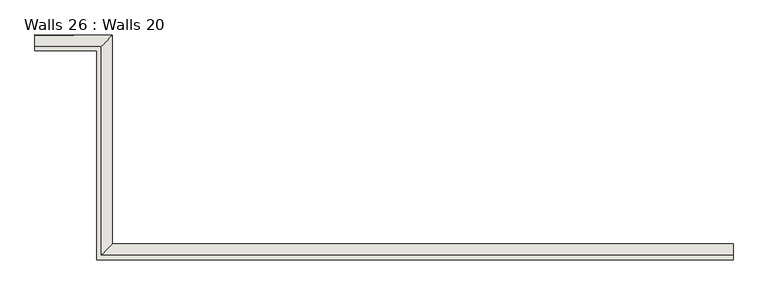
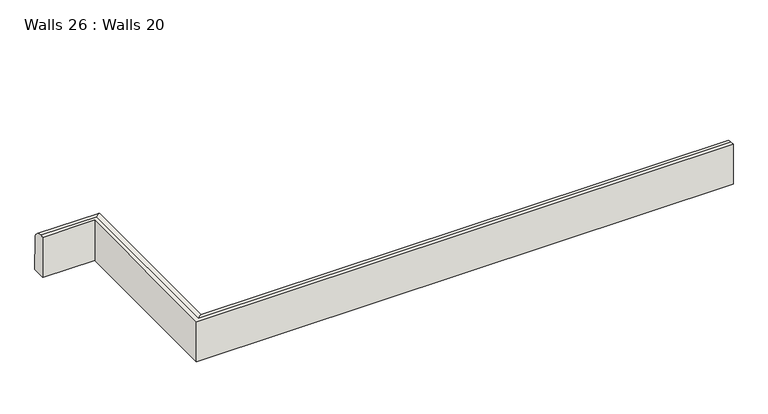
"""IFC4 building model written with IfcOpenShell, lengths in millimetres: wall geometry, Walls 26 : Walls 20."""

from ifc_helpers import new_model, si_unit, frame, origin, place, context, project, spatial, circle_curve, ellipse_curve, source, transform, mapped, element, save
from ifc_brep_helpers import plane_surface, cylinder_surface, advanced_brep


def walls_26_walls_20_2b4384ab(model_context):
    return source(origin(), model_context, "Body", "AdvancedBrep", [
        advanced_brep(
        [(-47673.9344016, 48693.4543832, 110873.348254), (-47673.8373612, 48710.6155985, 110856.2901743), (-47673.8380831, 48710.7930345, 110797.5768122), (-47673.9733942, 48686.9875029, 110797.5048718), (-47673.9724619, 48686.7583599, 110873.3280186), (-46620.9779403, 48377.7198228, 110872.381135), (-46620.9780464, 48371.0236913, 110872.3608988), (-46620.9789787, 48371.2528343, 110796.537752), (-46620.9786013, 48395.0587504, 110796.6096952), (-46620.9778794, 48394.8813144, 110855.3230573), (-47574.3327873, 48692.8882548, 110873.3453184), (-47557.2231747, 48709.9527718, 110856.2867374), (-47557.2238966, 48710.1302078, 110797.5733753), (-47557.2231597, 48395.073559, 110796.6212514), (-47581.0291289, 48371.2680194, 110796.549602), (-47581.0298661, 48686.4592185, 110797.5021325), (-47581.0289338, 48686.2300755, 110873.3252793), (-47581.0281967, 48371.0388764, 110872.3727488), (-47574.3320502, 48377.734902, 110872.3929023), (-47557.2224378, 48394.896123, 110855.3346135)],
        [
            (0, 1, circle_curve(frame((-47673.9346119, 48693.5060902, 110856.2384693), z_axis=(-0.9999838464358002, 0.005683836632040414, 2.947206472527781e-05), x_axis=(0.005683899743072926, 0.9999792803680961, 0.0030219394790984453)), 17.1098628)),
            (1, 2),
            (2, 3),
            (3, 4),
            (4, 0),
            (5, 6),
            (6, 7),
            (7, 8),
            (8, 9),
            (9, 5, circle_curve(frame((-46620.9781506, 48377.7715298, 110855.2713503), z_axis=(0.9999999997987358, -1.581697541563069e-05, -1.2343100024490117e-05), x_axis=(1.5854204753751613e-05, 0.9999954334466623, 0.0030220579852632975)), 17.1098628)),
            (0, 10),
            (10, 11, ellipse_curve(frame((-47574.3329977, 48692.9399618, 110856.2355338), z_axis=(-0.7050951846490159, 0.7091094069262064, 0.0021516490266383008), x_axis=(-0.7091126711839222, -0.7050919912842, -0.002122119997669496)), 24.128497, 17.1098628)),
            (11, 1),
            (11, 12),
            (12, 2),
            (12, 13),
            (13, 8),
            (7, 14),
            (14, 15),
            (15, 3),
            (15, 16),
            (16, 4),
            (16, 17),
            (17, 6),
            (5, 18),
            (18, 10),
            (18, 19, ellipse_curve(frame((-47574.3322606, 48377.786609, 110855.2831177), z_axis=(-0.7071020026863571, 0.7071083043530496, 0.002145626225106906), x_axis=(0.7071115595475511, 0.7070988000833474, 0.002128209322523927)), 24.1967799, 17.1098628)),
            (19, 11),
            (19, 13),
            (14, 17),
            (9, 19),
        ],
        [
            plane_surface(frame((-47673.9342236, 48694.0729324, 110760.0960671), z_axis=(-0.9999838464358002, 0.0056838366320403335, 2.947206472527751e-05), x_axis=(1.229524376404459e-05, -0.003022058180229541, 0.9999954334961647))),
            plane_surface(frame((-46620.9793284, 48378.3383764, 110759.1289482), z_axis=(0.9999999997987358, -1.5816975416038334e-05, -1.2343100024491584e-05), x_axis=(1.2295243842208796e-05, -0.003022058180308459, 0.9999954334961645))),
            cylinder_surface(frame((-47673.9346119, 48693.5060902, 110856.2384693), z_axis=(-0.9999838464358, 0.005683836632040413, 2.9472064725277802e-05), x_axis=(0.005683899743072926, 0.9999792803680961, 0.0030219394790984453)), 17.1098628),
            plane_surface(frame((-47673.8373612, 48710.6155985, 110856.2901743), z_axis=(0.005683899743097851, 0.9999792803680961, 0.0030219394790984475), x_axis=(0.9999838464358, -0.005683836632065493, -2.9472064673969435e-05))),
            plane_surface(frame((-47673.8380831, 48710.7930345, 110797.5768122), z_axis=(-1.2295243712453288e-05, 0.003022058180265889, -0.9999954334961647), x_axis=(0.9999838464358, -0.005683836632065493, -2.9472064673969435e-05))),
            plane_surface(frame((-47673.9733942, 48686.9875029, 110797.5048718), z_axis=(-0.0056838997430558496, -0.9999792803680965, -0.0030219394790984497), x_axis=(0.9999838464358003, -0.0056838366320234686, -2.9472064681880273e-05))),
            plane_surface(frame((-47673.9724619, 48686.7583599, 110873.3280186), z_axis=(1.2295243720488666e-05, -0.003022058180265935, 0.9999954334961648), x_axis=(0.9999838464358003, -0.005683836632022409, -2.947206468187478e-05))),
            cylinder_surface(frame((-47574.3329983, 48693.21469, 110856.2363641), z_axis=(-2.338762039827294e-06, 0.9999954335689288, 0.003022058209309594), x_axis=(0.9999999999216785, 2.375908302504143e-06, -1.2288119839694644e-05)), 17.1098628),
            plane_surface(frame((-47557.2231747, 48709.9527718, 110856.2867374), z_axis=(0.9999999999216785, 2.3759083033170365e-06, -1.2288119839691466e-05), x_axis=(2.3387620406404085e-06, -0.9999954335689287, -0.0030220582092920795))),
            plane_surface(frame((-47581.0298661, 48686.4592185, 110797.5021325), z_axis=(-0.9999999999216788, -2.37590832613785e-06, 1.2288119839622504e-05), x_axis=(2.3387620634609453e-06, -0.9999954335689287, -0.003022058209323046))),
            cylinder_surface(frame((-47574.0559695, 48377.7866046, 110855.2831143), z_axis=(-0.9999999997987358, 1.581697541563069e-05, 1.2343100024490117e-05), x_axis=(1.5854204753751613e-05, 0.9999954334466623, 0.0030220579852632975)), 17.1098628),
            plane_surface(frame((-47557.2224378, 48394.896123, 110855.3346135), z_axis=(1.5854204757097576e-05, 0.9999954334466623, 0.0030220579852632996), x_axis=(0.9999999997987357, -1.5816975418939093e-05, -1.2343100036923845e-05))),
            plane_surface(frame((-47581.0291289, 48371.2680194, 110796.549602), z_axis=(-1.5854204750036117e-05, -0.9999954334466623, -0.0030220579852632996), x_axis=(0.9999999997987357, -1.5816975411879565e-05, -1.2343100036273627e-05))),
        ],
        [
            (0, [[1, 2, 3, 4, 5]]),
            (1, [[6, 7, 8, 9, 10]]),
            (2, [[-1, 11, 12, 13]]),
            (3, [[-2, -13, 14, 15]]),
            (4, [[-3, -15, 16, 17, -8, 18, 19, 20]]),
            (5, [[-4, -20, 21, 22]]),
            (6, [[-5, -22, 23, 24, -6, 25, 26, -11]]),
            (7, [[-12, -26, 27, 28]]),
            (8, [[-14, -28, 29, -16]]),
            (9, [[-21, -19, 30, -23]]),
            (10, [[-27, -25, -10, 31]]),
            (11, [[-29, -31, -9, -17]]),
            (12, [[-30, -18, -7, -24]]),
        ],
    ),
    ])


if __name__ == "__main__":
    model = new_model("IFC4")
    model_context = context("Model", 3, world=origin())
    ifc_project = project(units=[si_unit("LENGTHUNIT", "METRE", prefix="MILLI")], contexts=[model_context])
    site = spatial("IfcSite", under=ifc_project)
    building = spatial("IfcBuilding", under=site)
    placement = place(None, origin())
    walls_26_walls_20_shape = walls_26_walls_20_2b4384ab(model_context)
    element("IfcWall", 1, ObjectType="Walls 26 : Walls 20", at=placement, inside=building, context=model_context, shape_type="MappedRepresentation", body=[
        mapped(walls_26_walls_20_shape, transform((0.0, 0.0, 0.0), x_axis=(1.0, 0.0, 0.0), y_axis=(0.0, 1.0, 0.0), z_axis=(0.0, 0.0, 1.0))),
    ])
    save(model, "model.ifc")
